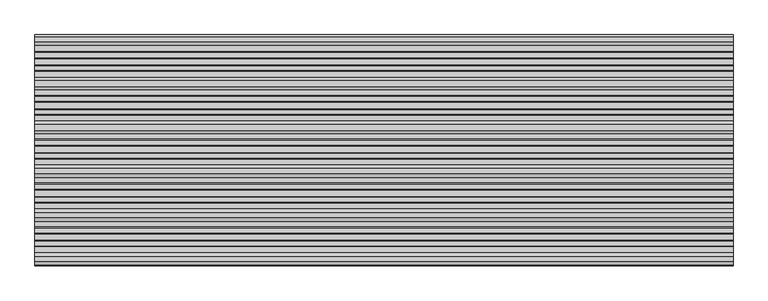
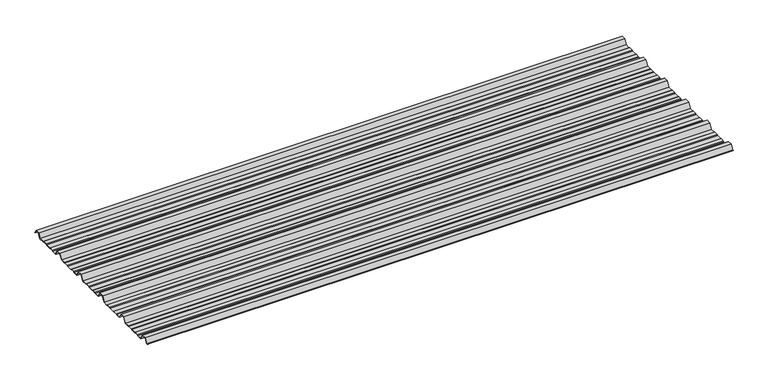
"""IFC4 building model written with IfcOpenShell, lengths in millimetres: beam geometry."""

from ifc_helpers import new_model, si_unit, point, frame, frame_2d, origin, place, context, project, spatial, polyline, circle_curve, trimmed, segment, composite_curve, outline, extrude, source, transform, mapped, element, save


def beam_850e9f1f(model_context):
    return source(origin(), model_context, "Body", "SweptSolid", [
        extrude(outline(composite_curve([segment(polyline([(-41.155409, -25.7896475), (-45.2820109, -23.7896475), (-62.8888461, -23.7896475), (-66.1530101, -25.7896475), (-88.4400183, -25.7896475), (-91.4814768, -23.7896475), (-107.1472807, -23.7896475), (-110.1909225, -25.7896475), (-130.513361, -25.7896475), (-142.4987169, -4.7896475), (-161.4999361, -4.7896475), (-173.513361, -25.7896475), (-193.155409, -25.7896475), (-197.2820109, -23.7896475), (-214.8888461, -23.7896475), (-218.1530101, -25.7896475), (-240.4400183, -25.7896475), (-243.4814768, -23.7896475), (-259.1472807, -23.7896475), (-262.1909225, -25.7896475), (-282.513361, -25.7896475), (-294.4987169, -4.7896475), (-313.4999361, -4.7896475), (-325.513361, -25.7896475), (-345.155409, -25.7896475), (-349.2820109, -23.7896475), (-366.8888461, -23.7896475), (-370.1530101, -25.7896475), (-392.4400183, -25.7896475), (-395.4814768, -23.7896475), (-411.1472807, -23.7896475), (-414.1909225, -25.7896475), (-434.513361, -25.7896475), (-446.4987169, -4.7896475), (-465.4999361, -4.7896475), (-477.513361, -25.7896475), (-497.155409, -25.7896475), (-501.2820109, -23.7896475), (-518.8888461, -23.7896475), (-522.1530101, -25.7896475), (-544.4400183, -25.7896475), (-547.4814768, -23.7896475), (-563.1472807, -23.7896475), (-566.1909225, -25.7896475), (-586.513361, -25.7896475), (-598.4987169, -4.7896475), (-617.4999361, -4.7896475), (-629.513361, -25.7896475), (-649.155409, -25.7896475), (-653.2820109, -23.7896475), (-670.8888461, -23.7896475), (-674.1530101, -25.7896475), (-696.4400183, -25.7896475), (-699.4814768, -23.7896475), (-715.1472807, -23.7896475), (-718.1909225, -25.7896475), (-738.513361, -25.7896475), (-750.4987169, -4.7896475), (-769.4999361, -4.7896475), (-780.3692253, -23.7896475), (-783.804755, -23.7896475)]), True, "CONTINUOUS"), segment(trimmed(circle_curve(frame_2d((-783.804755, -23.2896475)), 0.5), [point((-783.804755, -23.7896475))], [point((-783.804755, -22.7896475))], False, "CARTESIAN"), True, "CONTINUOUS"), segment(polyline([(-783.804755, -22.7896475), (-780.8686157, -22.7896475), (-769.9993265, -3.7896475), (-749.9993265, -3.7896475), (-738.0139706, -24.7896475), (-718.4900736, -24.7896475), (-715.4464317, -22.7896475), (-699.1821463, -22.7896475), (-696.1406878, -24.7896475), (-674.4350053, -24.7896475), (-671.1708413, -22.7896475), (-653.0524511, -22.7896475), (-648.9258491, -24.7896475), (-630.0127514, -24.7896475), (-617.9993265, -3.7896475), (-597.9993265, -3.7896475), (-586.0139706, -24.7896475), (-566.4900736, -24.7896475), (-563.4464317, -22.7896475), (-547.1821463, -22.7896475), (-544.1406878, -24.7896475), (-522.4350053, -24.7896475), (-519.1708413, -22.7896475), (-501.0524511, -22.7896475), (-496.9258491, -24.7896475), (-478.0127514, -24.7896475), (-465.9993265, -3.7896475), (-445.9993265, -3.7896475), (-434.0139706, -24.7896475), (-414.4900736, -24.7896475), (-411.4464317, -22.7896475), (-395.1821463, -22.7896475), (-392.1406878, -24.7896475), (-370.4350053, -24.7896475), (-367.1708413, -22.7896475), (-349.0524511, -22.7896475), (-344.9258491, -24.7896475), (-326.0127514, -24.7896475), (-313.9993265, -3.7896475), (-293.9993265, -3.7896475), (-282.0139706, -24.7896475), (-262.4900736, -24.7896475), (-259.4464317, -22.7896475), (-243.1821463, -22.7896475), (-240.1406878, -24.7896475), (-218.4350053, -24.7896475), (-215.1708413, -22.7896475), (-197.0524511, -22.7896475), (-192.9258491, -24.7896475), (-174.0127514, -24.7896475), (-161.9993265, -3.7896475), (-141.9993265, -3.7896475), (-130.0139706, -24.7896475), (-110.4900736, -24.7896475), (-107.4464317, -22.7896475), (-91.1821463, -22.7896475), (-88.1406878, -24.7896475), (-66.4350053, -24.7896475), (-63.1708413, -22.7896475), (-45.0524511, -22.7896475), (-40.9258491, -24.7896475), (-19.7086146, -24.7896475), (-8.8393254, -5.7896475), (8.8393254, -5.7896475), (16.8315702, -19.793165)]), True, "CONTINUOUS"), segment(trimmed(circle_curve(frame_2d((16.4279743, -20.0235098)), 0.4647024), [point((16.8315702, -19.793165))], [point((16.0243785, -20.2538545))], False, "CARTESIAN"), True, "CONTINUOUS"), segment(polyline([(16.0243785, -20.2538545), (8.339935, -6.7896475), (-8.339935, -6.7896475), (-19.2092242, -25.7896475), (-41.155409, -25.7896475)]), True, "CONTINUOUS")], self_intersect=False)), frame((-1208.051614, 0.0, 0.0), z_axis=(1.0, 0.0, 0.0), x_axis=(0.0, 1.0, 0.0)), (0.0, 0.0, 1.0), 2416.1032281),
    ])


if __name__ == "__main__":
    model = new_model("IFC4")
    model_context = context("Model", 3, world=origin())
    ifc_project = project(units=[si_unit("LENGTHUNIT", "METRE", prefix="MILLI")], contexts=[model_context])
    site = spatial("IfcSite", under=ifc_project)
    building = spatial("IfcBuilding", under=site)
    placement = place(None, origin())
    beam_shape = beam_850e9f1f(model_context)
    element("IfcBeam", 1, at=placement, inside=building, context=model_context, shape_type="MappedRepresentation", body=[
        mapped(beam_shape, transform((0.0, 0.0, 0.0), x_axis=(1.0, 0.0, 0.0), y_axis=(0.0, 1.0, 0.0), z_axis=(0.0, 0.0, 1.0))),
    ])
    save(model, "model.ifc")
